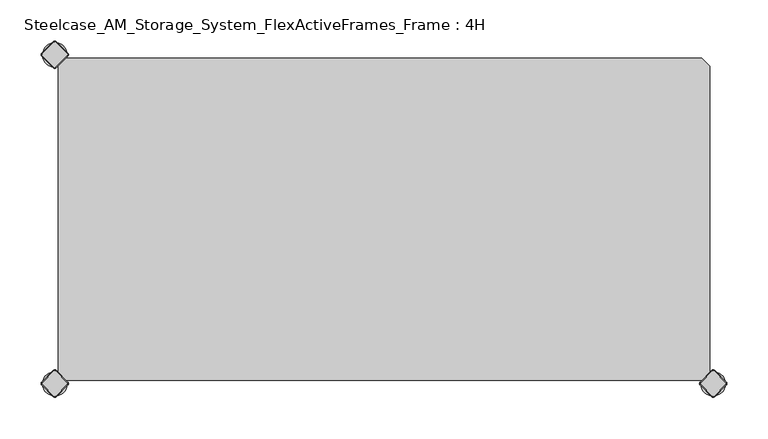
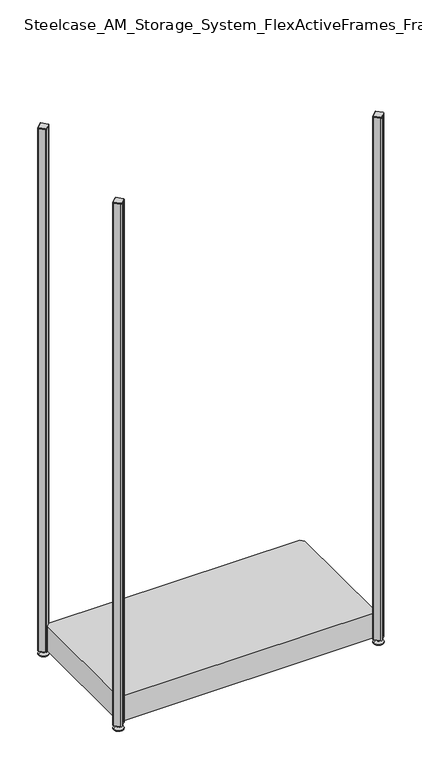
"""IFC4 building model written with IfcOpenShell, lengths in millimetres: furniture geometry, Steelcase_AM_Storage_System_FlexActiveFrames_Frame : 4H."""

from ifc_helpers import new_model, si_unit, point, frame, frame_2d, origin, place, context, project, spatial, polyline, circle_curve, trimmed, segment, composite_curve, outline, extrude, source, transform, mapped, element, save
from ifc_brep_helpers import plane_surface, cylinder_surface, revolved_surface, advanced_brep


def steelcase_am_storage_system_flexactiveframes_frame_4h_9ea6520a(model_context):
    return source(origin(), model_context, "Body", "SolidModel", [
        advanced_brep(
        [(785.0, 0.0, 0.0), (800.0, 0.0, 0.0), (815.0, 0.0, 0.0), (785.0, 0.0, 2.0), (815.0, 0.0, 2.0), (792.0, 0.0, 9.0), (808.0, 0.0, 9.0), (796.0, 0.0, 9.0), (804.0, 0.0, 9.0), (796.0, 0.0, 15.0), (804.0, 0.0, 15.0), (800.0, 0.0, 15.0)],
        [
            (0, 1),
            (1, 2),
            (2, 0, circle_curve(frame((800.0, 0.0, 0.0), z_axis=(0.0, 0.0, -1.0), x_axis=(1.0, 0.0, 0.0)), 15.0)),
            (0, 2, circle_curve(frame((800.0, 0.0, 0.0), z_axis=(0.0, 0.0, -1.0), x_axis=(1.0, 0.0, 0.0)), 15.0)),
            (3, 0),
            (2, 4),
            (4, 3, circle_curve(frame((800.0, 0.0, 2.0), z_axis=(0.0, 0.0, -1.0), x_axis=(1.0, 0.0, 0.0)), 15.0)),
            (3, 4, circle_curve(frame((800.0, 0.0, 2.0), z_axis=(0.0, 0.0, -1.0), x_axis=(1.0, 0.0, 0.0)), 15.0)),
            (5, 3),
            (4, 6),
            (6, 5, circle_curve(frame((800.0, 0.0, 9.0), z_axis=(0.0, 0.0, -1.0), x_axis=(1.0, 0.0, 0.0)), 8.0)),
            (5, 6, circle_curve(frame((800.0, 0.0, 9.0), z_axis=(0.0, 0.0, -1.0), x_axis=(1.0, 0.0, 0.0)), 8.0)),
            (7, 5),
            (6, 8),
            (8, 7, circle_curve(frame((800.0, 0.0, 9.0), z_axis=(0.0, 0.0, -1.0), x_axis=(1.0, 0.0, 0.0)), 4.0)),
            (7, 8, circle_curve(frame((800.0, 0.0, 9.0), z_axis=(0.0, 0.0, -1.0), x_axis=(1.0, 0.0, 0.0)), 4.0)),
            (9, 7),
            (8, 10),
            (10, 9, circle_curve(frame((800.0, 0.0, 15.0), z_axis=(0.0, 0.0, -1.0), x_axis=(1.0, 0.0, 0.0)), 4.0)),
            (9, 10, circle_curve(frame((800.0, 0.0, 15.0), z_axis=(0.0, 0.0, -1.0), x_axis=(1.0, 0.0, 0.0)), 4.0)),
            (11, 9),
            (10, 11),
        ],
        [
            plane_surface(frame((800.0, 0.0, 0.0), z_axis=(0.0, 0.0, -1.0), x_axis=(1.0, 0.0, 0.0))),
            cylinder_surface(frame((800.0, 0.0, 18.6083303), z_axis=(0.0, 0.0, 1.0), x_axis=(1.0, 0.0, 0.0)), 15.0),
            revolved_surface(polyline([(815.0, 0.0, 2.0), (808.0, 0.0, 9.0)]), (800.0, 0.0, 18.6083303), (0.0, 0.0, 1.0)),
            plane_surface(frame((800.0, 0.0, 9.0), z_axis=(0.0, 0.0, 1.0), x_axis=(1.0, 0.0, 0.0))),
            cylinder_surface(frame((800.0, 0.0, 18.6083303), z_axis=(0.0, 0.0, 1.0), x_axis=(1.0, 0.0, 0.0)), 4.0),
            plane_surface(frame((800.0, 0.0, 15.0), z_axis=(0.0, 0.0, 1.0), x_axis=(1.0, 0.0, 0.0))),
        ],
        [
            (0, [[1, 2, 3]]),
            (0, [[-2, -1, 4]]),
            (1, [[5, -3, 6, 7]]),
            (1, [[-6, -4, -5, 8]]),
            (2, [[9, -7, 10, 11]]),
            (2, [[-10, -8, -9, 12]]),
            (3, [[13, -11, 14, 15]]),
            (3, [[-14, -12, -13, 16]]),
            (4, [[17, -15, 18, 19]]),
            (4, [[-18, -16, -17, 20]]),
            (5, [[21, -19, 22]]),
            (5, [[-22, -20, -21]]),
        ],
    ),
        advanced_brep(
        [(798.7979185, -15.3442172, 1717.0), (801.2020815, -15.3442172, 1717.0), (815.3442172, -1.2020815, 1717.0), (815.3442172, 1.2020815, 1717.0), (801.2020815, 15.3442172, 1717.0), (798.7979185, 15.3442172, 1717.0), (784.6557828, 1.2020815, 1717.0), (784.6557828, -1.2020815, 1717.0), (798.232233, -15.9099026, 1715.0), (784.0900974, -1.767767, 1715.0), (784.0900974, 1.767767, 1715.0), (798.232233, 15.9099026, 1715.0), (801.767767, 15.9099026, 1715.0), (815.9099026, 1.767767, 1715.0), (815.9099026, -1.767767, 1715.0), (801.767767, -15.9099026, 1715.0)],
        [
            (0, 1, circle_curve(frame((800.0, -14.1421356, 1717.0), z_axis=(0.0, 0.0, 1.0), x_axis=(0.7071067811865486, -0.7071067811865465, 0.0)), 1.7)),
            (1, 2),
            (2, 3, circle_curve(frame((814.1421356, 0.0, 1717.0), z_axis=(0.0, 0.0, 1.0), x_axis=(0.7071067811865358, 0.7071067811865593, 0.0)), 1.7)),
            (3, 4),
            (4, 5, circle_curve(frame((800.0, 14.1421356, 1717.0), z_axis=(0.0, 0.0, 1.0), x_axis=(-0.7071067811865497, 0.7071067811865452, 0.0)), 1.7)),
            (5, 6),
            (6, 7, circle_curve(frame((785.8578644, 0.0, 1717.0), z_axis=(0.0, 0.0, 1.0), x_axis=(-0.707106781186549, -0.707106781186546, 0.0)), 1.7)),
            (7, 0),
            (8, 9),
            (9, 10, circle_curve(frame((785.8578644, 0.0, 1715.0), z_axis=(0.0, 0.0, -1.0), x_axis=(-0.707106781186549, -0.707106781186546, 0.0)), 2.5)),
            (10, 11),
            (11, 12, circle_curve(frame((800.0, 14.1421356, 1715.0), z_axis=(0.0, 0.0, -1.0), x_axis=(-0.7071067811865497, 0.7071067811865452, 0.0)), 2.5)),
            (12, 13),
            (13, 14, circle_curve(frame((814.1421356, 0.0, 1715.0), z_axis=(0.0, 0.0, -1.0), x_axis=(0.7071067811865358, 0.7071067811865593, 0.0)), 2.5)),
            (14, 15),
            (15, 8, circle_curve(frame((800.0, -14.1421356, 1715.0), z_axis=(0.0, 0.0, -1.0), x_axis=(0.7071067811865486, -0.7071067811865465, 0.0)), 2.5)),
            (8, 0),
            (7, 9),
            (6, 10),
            (5, 11),
            (4, 12),
            (3, 13),
            (2, 14),
            (1, 15),
        ],
        [
            plane_surface(frame((800.0, 0.0, 1717.0), z_axis=(0.0, 0.0, 1.0), x_axis=(-0.7071067811865437, -0.7071067811865515, 0.0))),
            plane_surface(frame((800.0, 0.0, 1715.0), z_axis=(0.0, 0.0, -1.0), x_axis=(-0.7071067811865437, -0.7071067811865515, 0.0))),
            plane_surface(frame((791.1611652, -8.8388348, 1715.0), z_axis=(-0.6565321642986293, -0.6565321642986277, 0.37139067635404877), x_axis=(-0.7071067811865461, 0.707106781186549, 0.0))),
            revolved_surface(polyline([(784.65578284, -1.20208156, 1717.0), (784.0900974, -1.767767, 1715.0)]), (785.8578644, 0.0, 1721.25), (0.0, 0.0, -1.0)),
            plane_surface(frame((791.1611652, 8.8388348, 1715.0), z_axis=(-0.656532164298625, 0.656532164298632, 0.37139067635404815), x_axis=(0.7071067811865507, 0.7071067811865444, 0.0))),
            revolved_surface(polyline([(798.79791844, 15.34421716, 1717.0), (798.232233, 15.9099026, 1715.0)]), (800.0, 14.1421356, 1721.25), (0.0, 0.0, -1.0)),
            plane_surface(frame((808.8388348, 8.8388348, 1715.0), z_axis=(0.6565321642986273, 0.6565321642986317, 0.3713906763540451), x_axis=(0.7071067811865506, -0.7071067811865446, 0.0))),
            revolved_surface(polyline([(815.34421716, 1.20208156, 1717.0), (815.9099026, 1.767767, 1715.0)]), (814.1421356, 0.0, 1721.25), (0.0, 0.0, -1.0)),
            plane_surface(frame((808.8388348, -8.8388348, 1715.0), z_axis=(0.6565321642986316, -0.6565321642986274, 0.3713906763540451), x_axis=(-0.7071067811865459, -0.7071067811865492, 0.0))),
            revolved_surface(polyline([(801.20208156, -15.34421716, 1717.0), (801.767767, -15.9099026, 1715.0)]), (800.0, -14.1421356, 1721.25), (0.0, 0.0, -1.0)),
        ],
        [
            (0, [[1, 2, 3, 4, 5, 6, 7, 8]]),
            (1, [[9, 10, 11, 12, 13, 14, 15, 16]]),
            (2, [[17, -8, 18, -9]]),
            (3, [[-18, -7, 19, -10]]),
            (4, [[-19, -6, 20, -11]]),
            (5, [[-20, -5, 21, -12]]),
            (6, [[-21, -4, 22, -13]]),
            (7, [[-22, -3, 23, -14]]),
            (8, [[-23, -2, 24, -15]]),
            (9, [[-24, -1, -17, -16]]),
        ],
    ),
        extrude(outline(composite_curve([segment(polyline([(815.9099026, -1.767767), (801.767767, -15.9099026)]), True, "CONTINUOUS"), segment(trimmed(circle_curve(frame_2d((800.0, -14.1421356)), 2.5), [point((801.767767, -15.9099026))], [point((798.232233, -15.9099026))], False, "CARTESIAN"), True, "CONTINUOUS"), segment(polyline([(798.232233, -15.9099026), (784.0900974, -1.767767)]), True, "CONTINUOUS"), segment(trimmed(circle_curve(frame_2d((785.8578644, 0.0)), 2.5), [point((784.0900974, -1.767767))], [point((784.0900974, 1.767767))], False, "CARTESIAN"), True, "CONTINUOUS"), segment(polyline([(784.0900974, 1.767767), (798.232233, 15.9099026)]), True, "CONTINUOUS"), segment(trimmed(circle_curve(frame_2d((800.0, 14.1421356)), 2.5), [point((798.232233, 15.9099026))], [point((801.767767, 15.9099026))], False, "CARTESIAN"), True, "CONTINUOUS"), segment(polyline([(801.767767, 15.9099026), (815.9099026, 1.767767)]), True, "CONTINUOUS"), segment(trimmed(circle_curve(frame_2d((814.1421356, 0.0)), 2.5), [point((815.9099026, 1.767767))], [point((815.9099026, -1.767767))], False, "CARTESIAN"), True, "CONTINUOUS")], self_intersect=False)), frame((0.0, 0.0, 15.0), z_axis=(0.0, 0.0, 1.0), x_axis=(1.0, 0.0, 0.0)), (0.0, 0.0, 1.0), 1700.0),
        advanced_brep(
        [(-15.0, 400.0, 0.0), (0.0, 400.0, 0.0), (15.0, 400.0, 0.0), (-15.0, 400.0, 2.0), (15.0, 400.0, 2.0), (-8.0, 400.0, 9.0), (8.0, 400.0, 9.0), (-4.0, 400.0, 9.0), (4.0, 400.0, 9.0), (-4.0, 400.0, 15.0), (4.0, 400.0, 15.0), (0.0, 400.0, 15.0)],
        [
            (0, 1),
            (1, 2),
            (2, 0, circle_curve(frame((0.0, 400.0, 0.0), z_axis=(0.0, 0.0, -1.0), x_axis=(1.0, 0.0, 0.0)), 15.0)),
            (0, 2, circle_curve(frame((0.0, 400.0, 0.0), z_axis=(0.0, 0.0, -1.0), x_axis=(1.0, 0.0, 0.0)), 15.0)),
            (3, 0),
            (2, 4),
            (4, 3, circle_curve(frame((0.0, 400.0, 2.0), z_axis=(0.0, 0.0, -1.0), x_axis=(1.0, 0.0, 0.0)), 15.0)),
            (3, 4, circle_curve(frame((0.0, 400.0, 2.0), z_axis=(0.0, 0.0, -1.0), x_axis=(1.0, 0.0, 0.0)), 15.0)),
            (5, 3),
            (4, 6),
            (6, 5, circle_curve(frame((0.0, 400.0, 9.0), z_axis=(0.0, 0.0, -1.0), x_axis=(1.0, 0.0, 0.0)), 8.0)),
            (5, 6, circle_curve(frame((0.0, 400.0, 9.0), z_axis=(0.0, 0.0, -1.0), x_axis=(1.0, 0.0, 0.0)), 8.0)),
            (7, 5),
            (6, 8),
            (8, 7, circle_curve(frame((0.0, 400.0, 9.0), z_axis=(0.0, 0.0, -1.0), x_axis=(1.0, 0.0, 0.0)), 4.0)),
            (7, 8, circle_curve(frame((0.0, 400.0, 9.0), z_axis=(0.0, 0.0, -1.0), x_axis=(1.0, 0.0, 0.0)), 4.0)),
            (9, 7),
            (8, 10),
            (10, 9, circle_curve(frame((0.0, 400.0, 15.0), z_axis=(0.0, 0.0, -1.0), x_axis=(1.0, 0.0, 0.0)), 4.0)),
            (9, 10, circle_curve(frame((0.0, 400.0, 15.0), z_axis=(0.0, 0.0, -1.0), x_axis=(1.0, 0.0, 0.0)), 4.0)),
            (11, 9),
            (10, 11),
        ],
        [
            plane_surface(frame((0.0, 400.0, 0.0), z_axis=(0.0, 0.0, -1.0), x_axis=(1.0, 0.0, 0.0))),
            cylinder_surface(frame((0.0, 400.0, 18.6083303), z_axis=(0.0, 0.0, 1.0), x_axis=(1.0, 0.0, 0.0)), 15.0),
            revolved_surface(polyline([(15.0, 400.0, 2.0), (8.0, 400.0, 9.0)]), (0.0, 400.0, 18.6083303), (0.0, 0.0, 1.0)),
            plane_surface(frame((0.0, 400.0, 9.0), z_axis=(0.0, 0.0, 1.0), x_axis=(1.0, 0.0, 0.0))),
            cylinder_surface(frame((0.0, 400.0, 18.6083303), z_axis=(0.0, 0.0, 1.0), x_axis=(1.0, 0.0, 0.0)), 4.0),
            plane_surface(frame((0.0, 400.0, 15.0), z_axis=(0.0, 0.0, 1.0), x_axis=(1.0, 0.0, 0.0))),
        ],
        [
            (0, [[1, 2, 3]]),
            (0, [[-2, -1, 4]]),
            (1, [[5, -3, 6, 7]]),
            (1, [[-6, -4, -5, 8]]),
            (2, [[9, -7, 10, 11]]),
            (2, [[-10, -8, -9, 12]]),
            (3, [[13, -11, 14, 15]]),
            (3, [[-14, -12, -13, 16]]),
            (4, [[17, -15, 18, 19]]),
            (4, [[-18, -16, -17, 20]]),
            (5, [[21, -19, 22]]),
            (5, [[-22, -20, -21]]),
        ],
    ),
        advanced_brep(
        [(-1.2020815, 384.6557828, 1717.0), (1.2020815, 384.6557828, 1717.0), (15.3442172, 398.7979185, 1717.0), (15.3442172, 401.2020815, 1717.0), (1.2020815, 415.3442172, 1717.0), (-1.2020815, 415.3442172, 1717.0), (-15.3442172, 401.2020815, 1717.0), (-15.3442172, 398.7979185, 1717.0), (-1.767767, 384.0900974, 1715.0), (-15.9099026, 398.232233, 1715.0), (-15.9099026, 401.767767, 1715.0), (-1.767767, 415.9099026, 1715.0), (1.767767, 415.9099026, 1715.0), (15.9099026, 401.767767, 1715.0), (15.9099026, 398.232233, 1715.0), (1.767767, 384.0900974, 1715.0)],
        [
            (0, 1, circle_curve(frame((0.0, 385.8578644, 1717.0), z_axis=(0.0, 0.0, 1.0), x_axis=(0.7071067811865486, -0.7071067811865465, 0.0)), 1.7)),
            (1, 2),
            (2, 3, circle_curve(frame((14.1421356, 400.0, 1717.0), z_axis=(0.0, 0.0, 1.0), x_axis=(0.7071067811865358, 0.7071067811865593, 0.0)), 1.7)),
            (3, 4),
            (4, 5, circle_curve(frame((0.0, 414.1421356, 1717.0), z_axis=(0.0, 0.0, 1.0), x_axis=(-0.7071067811865497, 0.7071067811865452, 0.0)), 1.7)),
            (5, 6),
            (6, 7, circle_curve(frame((-14.1421356, 400.0, 1717.0), z_axis=(0.0, 0.0, 1.0), x_axis=(-0.707106781186549, -0.707106781186546, 0.0)), 1.7)),
            (7, 0),
            (8, 9),
            (9, 10, circle_curve(frame((-14.1421356, 400.0, 1715.0), z_axis=(0.0, 0.0, -1.0), x_axis=(-0.707106781186549, -0.707106781186546, 0.0)), 2.5)),
            (10, 11),
            (11, 12, circle_curve(frame((0.0, 414.1421356, 1715.0), z_axis=(0.0, 0.0, -1.0), x_axis=(-0.7071067811865497, 0.7071067811865452, 0.0)), 2.5)),
            (12, 13),
            (13, 14, circle_curve(frame((14.1421356, 400.0, 1715.0), z_axis=(0.0, 0.0, -1.0), x_axis=(0.7071067811865358, 0.7071067811865593, 0.0)), 2.5)),
            (14, 15),
            (15, 8, circle_curve(frame((0.0, 385.8578644, 1715.0), z_axis=(0.0, 0.0, -1.0), x_axis=(0.7071067811865486, -0.7071067811865465, 0.0)), 2.5)),
            (8, 0),
            (7, 9),
            (6, 10),
            (5, 11),
            (4, 12),
            (3, 13),
            (2, 14),
            (1, 15),
        ],
        [
            plane_surface(frame((0.0, 400.0, 1717.0), z_axis=(0.0, 0.0, 1.0), x_axis=(-0.7071067811865437, -0.7071067811865515, 0.0))),
            plane_surface(frame((0.0, 400.0, 1715.0), z_axis=(0.0, 0.0, -1.0), x_axis=(-0.7071067811865437, -0.7071067811865515, 0.0))),
            plane_surface(frame((-8.8388348, 391.1611652, 1715.0), z_axis=(-0.6565321642986293, -0.6565321642986277, 0.37139067635404877), x_axis=(-0.7071067811865461, 0.707106781186549, 0.0))),
            revolved_surface(polyline([(-15.34421716, 398.79791844, 1717.0), (-15.9099026, 398.232233, 1715.0)]), (-14.1421356, 400.0, 1721.25), (0.0, 0.0, -1.0)),
            plane_surface(frame((-8.8388348, 408.8388348, 1715.0), z_axis=(-0.656532164298625, 0.656532164298632, 0.37139067635404815), x_axis=(0.7071067811865507, 0.7071067811865444, 0.0))),
            revolved_surface(polyline([(-1.20208156, 415.34421716, 1717.0), (-1.767767, 415.9099026, 1715.0)]), (0.0, 414.1421356, 1721.25), (0.0, 0.0, -1.0)),
            plane_surface(frame((8.8388348, 408.8388348, 1715.0), z_axis=(0.6565321642986273, 0.6565321642986317, 0.3713906763540451), x_axis=(0.7071067811865506, -0.7071067811865446, 0.0))),
            revolved_surface(polyline([(15.34421716, 401.20208156, 1717.0), (15.9099026, 401.767767, 1715.0)]), (14.1421356, 400.0, 1721.25), (0.0, 0.0, -1.0)),
            plane_surface(frame((8.8388348, 391.1611652, 1715.0), z_axis=(0.6565321642986316, -0.6565321642986274, 0.3713906763540451), x_axis=(-0.7071067811865459, -0.7071067811865492, 0.0))),
            revolved_surface(polyline([(1.20208156, 384.65578284, 1717.0), (1.767767, 384.0900974, 1715.0)]), (0.0, 385.8578644, 1721.25), (0.0, 0.0, -1.0)),
        ],
        [
            (0, [[1, 2, 3, 4, 5, 6, 7, 8]]),
            (1, [[9, 10, 11, 12, 13, 14, 15, 16]]),
            (2, [[17, -8, 18, -9]]),
            (3, [[-18, -7, 19, -10]]),
            (4, [[-19, -6, 20, -11]]),
            (5, [[-20, -5, 21, -12]]),
            (6, [[-21, -4, 22, -13]]),
            (7, [[-22, -3, 23, -14]]),
            (8, [[-23, -2, 24, -15]]),
            (9, [[-24, -1, -17, -16]]),
        ],
    ),
        extrude(outline(composite_curve([segment(polyline([(15.9099026, 398.232233), (1.767767, 384.0900974)]), True, "CONTINUOUS"), segment(trimmed(circle_curve(frame_2d((0.0, 385.8578644)), 2.5), [point((1.767767, 384.0900974))], [point((-1.767767, 384.0900974))], False, "CARTESIAN"), True, "CONTINUOUS"), segment(polyline([(-1.767767, 384.0900974), (-15.9099026, 398.232233)]), True, "CONTINUOUS"), segment(trimmed(circle_curve(frame_2d((-14.1421356, 400.0)), 2.5), [point((-15.9099026, 398.232233))], [point((-15.9099026, 401.767767))], False, "CARTESIAN"), True, "CONTINUOUS"), segment(polyline([(-15.9099026, 401.767767), (-1.767767, 415.9099026)]), True, "CONTINUOUS"), segment(trimmed(circle_curve(frame_2d((0.0, 414.1421356)), 2.5), [point((-1.767767, 415.9099026))], [point((1.767767, 415.9099026))], False, "CARTESIAN"), True, "CONTINUOUS"), segment(polyline([(1.767767, 415.9099026), (15.9099026, 401.767767)]), True, "CONTINUOUS"), segment(trimmed(circle_curve(frame_2d((14.1421356, 400.0)), 2.5), [point((15.9099026, 401.767767))], [point((15.9099026, 398.232233))], False, "CARTESIAN"), True, "CONTINUOUS")], self_intersect=False)), frame((0.0, 0.0, 15.0), z_axis=(0.0, 0.0, 1.0), x_axis=(1.0, 0.0, 0.0)), (0.0, 0.0, 1.0), 1700.0),
        advanced_brep(
        [(-15.0, 0.0, 0.0), (0.0, 0.0, 0.0), (15.0, 0.0, 0.0), (-15.0, 0.0, 2.0), (15.0, 0.0, 2.0), (-8.0, 0.0, 9.0), (8.0, 0.0, 9.0), (-4.0, 0.0, 9.0), (4.0, 0.0, 9.0), (-4.0, 0.0, 15.0), (4.0, 0.0, 15.0), (0.0, 0.0, 15.0)],
        [
            (0, 1),
            (1, 2),
            (2, 0, circle_curve(frame((0.0, 0.0, 0.0), z_axis=(0.0, 0.0, -1.0), x_axis=(1.0, 0.0, 0.0)), 15.0)),
            (0, 2, circle_curve(frame((0.0, 0.0, 0.0), z_axis=(0.0, 0.0, -1.0), x_axis=(1.0, 0.0, 0.0)), 15.0)),
            (3, 0),
            (2, 4),
            (4, 3, circle_curve(frame((0.0, 0.0, 2.0), z_axis=(0.0, 0.0, -1.0), x_axis=(1.0, 0.0, 0.0)), 15.0)),
            (3, 4, circle_curve(frame((0.0, 0.0, 2.0), z_axis=(0.0, 0.0, -1.0), x_axis=(1.0, 0.0, 0.0)), 15.0)),
            (5, 3),
            (4, 6),
            (6, 5, circle_curve(frame((0.0, 0.0, 9.0), z_axis=(0.0, 0.0, -1.0), x_axis=(1.0, 0.0, 0.0)), 8.0)),
            (5, 6, circle_curve(frame((0.0, 0.0, 9.0), z_axis=(0.0, 0.0, -1.0), x_axis=(1.0, 0.0, 0.0)), 8.0)),
            (7, 5),
            (6, 8),
            (8, 7, circle_curve(frame((0.0, 0.0, 9.0), z_axis=(0.0, 0.0, -1.0), x_axis=(1.0, 0.0, 0.0)), 4.0)),
            (7, 8, circle_curve(frame((0.0, 0.0, 9.0), z_axis=(0.0, 0.0, -1.0), x_axis=(1.0, 0.0, 0.0)), 4.0)),
            (9, 7),
            (8, 10),
            (10, 9, circle_curve(frame((0.0, 0.0, 15.0), z_axis=(0.0, 0.0, -1.0), x_axis=(1.0, 0.0, 0.0)), 4.0)),
            (9, 10, circle_curve(frame((0.0, 0.0, 15.0), z_axis=(0.0, 0.0, -1.0), x_axis=(1.0, 0.0, 0.0)), 4.0)),
            (11, 9),
            (10, 11),
        ],
        [
            plane_surface(frame((0.0, 0.0, 0.0), z_axis=(0.0, 0.0, -1.0), x_axis=(1.0, 0.0, 0.0))),
            cylinder_surface(frame((0.0, 0.0, 18.6083303), z_axis=(0.0, 0.0, 1.0), x_axis=(1.0, 0.0, 0.0)), 15.0),
            revolved_surface(polyline([(15.0, 0.0, 2.0), (8.0, 0.0, 9.0)]), (0.0, 0.0, 18.6083303), (0.0, 0.0, 1.0)),
            plane_surface(frame((0.0, 0.0, 9.0), z_axis=(0.0, 0.0, 1.0), x_axis=(1.0, 0.0, 0.0))),
            cylinder_surface(frame((0.0, 0.0, 18.6083303), z_axis=(0.0, 0.0, 1.0), x_axis=(1.0, 0.0, 0.0)), 4.0),
            plane_surface(frame((0.0, 0.0, 15.0), z_axis=(0.0, 0.0, 1.0), x_axis=(1.0, 0.0, 0.0))),
        ],
        [
            (0, [[1, 2, 3]]),
            (0, [[-2, -1, 4]]),
            (1, [[5, -3, 6, 7]]),
            (1, [[-6, -4, -5, 8]]),
            (2, [[9, -7, 10, 11]]),
            (2, [[-10, -8, -9, 12]]),
            (3, [[13, -11, 14, 15]]),
            (3, [[-14, -12, -13, 16]]),
            (4, [[17, -15, 18, 19]]),
            (4, [[-18, -16, -17, 20]]),
            (5, [[21, -19, 22]]),
            (5, [[-22, -20, -21]]),
        ],
    ),
        advanced_brep(
        [(-1.2020815, -15.3442172, 1717.0), (1.2020815, -15.3442172, 1717.0), (15.3442172, -1.2020815, 1717.0), (15.3442172, 1.2020815, 1717.0), (1.2020815, 15.3442172, 1717.0), (-1.2020815, 15.3442172, 1717.0), (-15.3442172, 1.2020815, 1717.0), (-15.3442172, -1.2020815, 1717.0), (-1.767767, -15.9099026, 1715.0), (-15.9099026, -1.767767, 1715.0), (-15.9099026, 1.767767, 1715.0), (-1.767767, 15.9099026, 1715.0), (1.767767, 15.9099026, 1715.0), (15.9099026, 1.767767, 1715.0), (15.9099026, -1.767767, 1715.0), (1.767767, -15.9099026, 1715.0)],
        [
            (0, 1, circle_curve(frame((0.0, -14.1421356, 1717.0), z_axis=(0.0, 0.0, 1.0), x_axis=(0.7071067811865486, -0.7071067811865465, 0.0)), 1.7)),
            (1, 2),
            (2, 3, circle_curve(frame((14.1421356, 0.0, 1717.0), z_axis=(0.0, 0.0, 1.0), x_axis=(0.7071067811865358, 0.7071067811865593, 0.0)), 1.7)),
            (3, 4),
            (4, 5, circle_curve(frame((0.0, 14.1421356, 1717.0), z_axis=(0.0, 0.0, 1.0), x_axis=(-0.7071067811865497, 0.7071067811865452, 0.0)), 1.7)),
            (5, 6),
            (6, 7, circle_curve(frame((-14.1421356, 0.0, 1717.0), z_axis=(0.0, 0.0, 1.0), x_axis=(-0.707106781186549, -0.707106781186546, 0.0)), 1.7)),
            (7, 0),
            (8, 9),
            (9, 10, circle_curve(frame((-14.1421356, 0.0, 1715.0), z_axis=(0.0, 0.0, -1.0), x_axis=(-0.707106781186549, -0.707106781186546, 0.0)), 2.5)),
            (10, 11),
            (11, 12, circle_curve(frame((0.0, 14.1421356, 1715.0), z_axis=(0.0, 0.0, -1.0), x_axis=(-0.7071067811865497, 0.7071067811865452, 0.0)), 2.5)),
            (12, 13),
            (13, 14, circle_curve(frame((14.1421356, 0.0, 1715.0), z_axis=(0.0, 0.0, -1.0), x_axis=(0.7071067811865358, 0.7071067811865593, 0.0)), 2.5)),
            (14, 15),
            (15, 8, circle_curve(frame((0.0, -14.1421356, 1715.0), z_axis=(0.0, 0.0, -1.0), x_axis=(0.7071067811865486, -0.7071067811865465, 0.0)), 2.5)),
            (8, 0),
            (7, 9),
            (6, 10),
            (5, 11),
            (4, 12),
            (3, 13),
            (2, 14),
            (1, 15),
        ],
        [
            plane_surface(frame((0.0, 0.0, 1717.0), z_axis=(0.0, 0.0, 1.0), x_axis=(-0.7071067811865437, -0.7071067811865515, 0.0))),
            plane_surface(frame((0.0, 0.0, 1715.0), z_axis=(0.0, 0.0, -1.0), x_axis=(-0.7071067811865437, -0.7071067811865515, 0.0))),
            plane_surface(frame((-8.8388348, -8.8388348, 1715.0), z_axis=(-0.6565321642986293, -0.6565321642986277, 0.37139067635404877), x_axis=(-0.7071067811865461, 0.707106781186549, 0.0))),
            revolved_surface(polyline([(-15.34421716, -1.20208156, 1717.0), (-15.9099026, -1.767767, 1715.0)]), (-14.1421356, 0.0, 1721.25), (0.0, 0.0, -1.0)),
            plane_surface(frame((-8.8388348, 8.8388348, 1715.0), z_axis=(-0.656532164298625, 0.656532164298632, 0.37139067635404815), x_axis=(0.7071067811865507, 0.7071067811865444, 0.0))),
            revolved_surface(polyline([(-1.20208156, 15.34421716, 1717.0), (-1.767767, 15.9099026, 1715.0)]), (0.0, 14.1421356, 1721.25), (0.0, 0.0, -1.0)),
            plane_surface(frame((8.8388348, 8.8388348, 1715.0), z_axis=(0.6565321642986273, 0.6565321642986317, 0.3713906763540451), x_axis=(0.7071067811865506, -0.7071067811865446, 0.0))),
            revolved_surface(polyline([(15.34421716, 1.20208156, 1717.0), (15.9099026, 1.767767, 1715.0)]), (14.1421356, 0.0, 1721.25), (0.0, 0.0, -1.0)),
            plane_surface(frame((8.8388348, -8.8388348, 1715.0), z_axis=(0.6565321642986316, -0.6565321642986274, 0.3713906763540451), x_axis=(-0.7071067811865459, -0.7071067811865492, 0.0))),
            revolved_surface(polyline([(1.20208156, -15.34421716, 1717.0), (1.767767, -15.9099026, 1715.0)]), (0.0, -14.1421356, 1721.25), (0.0, 0.0, -1.0)),
        ],
        [
            (0, [[1, 2, 3, 4, 5, 6, 7, 8]]),
            (1, [[9, 10, 11, 12, 13, 14, 15, 16]]),
            (2, [[17, -8, 18, -9]]),
            (3, [[-18, -7, 19, -10]]),
            (4, [[-19, -6, 20, -11]]),
            (5, [[-20, -5, 21, -12]]),
            (6, [[-21, -4, 22, -13]]),
            (7, [[-22, -3, 23, -14]]),
            (8, [[-23, -2, 24, -15]]),
            (9, [[-24, -1, -17, -16]]),
        ],
    ),
        extrude(outline(composite_curve([segment(polyline([(15.9099026, -1.767767), (1.767767, -15.9099026)]), True, "CONTINUOUS"), segment(trimmed(circle_curve(frame_2d((0.0, -14.1421356)), 2.5), [point((1.767767, -15.9099026))], [point((-1.767767, -15.9099026))], False, "CARTESIAN"), True, "CONTINUOUS"), segment(polyline([(-1.767767, -15.9099026), (-15.9099026, -1.767767)]), True, "CONTINUOUS"), segment(trimmed(circle_curve(frame_2d((-14.1421356, 0.0)), 2.5), [point((-15.9099026, -1.767767))], [point((-15.9099026, 1.767767))], False, "CARTESIAN"), True, "CONTINUOUS"), segment(polyline([(-15.9099026, 1.767767), (-1.767767, 15.9099026)]), True, "CONTINUOUS"), segment(trimmed(circle_curve(frame_2d((0.0, 14.1421356)), 2.5), [point((-1.767767, 15.9099026))], [point((1.767767, 15.9099026))], False, "CARTESIAN"), True, "CONTINUOUS"), segment(polyline([(1.767767, 15.9099026), (15.9099026, 1.767767)]), True, "CONTINUOUS"), segment(trimmed(circle_curve(frame_2d((14.1421356, 0.0)), 2.5), [point((15.9099026, 1.767767))], [point((15.9099026, -1.767767))], False, "CARTESIAN"), True, "CONTINUOUS")], self_intersect=False)), frame((0.0, 0.0, 15.0), z_axis=(0.0, 0.0, 1.0), x_axis=(1.0, 0.0, 0.0)), (0.0, 0.0, 1.0), 1700.0),
        extrude(outline(polyline([(4.0, 13.6776695), (4.0, 386.3223305), (13.6776695, 396.0), (786.3223305, 396.0), (796.0, 386.3223305), (796.0, 13.6776695), (786.3223305, 4.0), (13.6776695, 4.0), (4.0, 13.6776695)])), frame((0.0, 0.0, 16.0), z_axis=(0.0, 0.0, 1.0), x_axis=(1.0, 0.0, 0.0)), (0.0, 0.0, 1.0), 80.0),
    ])


if __name__ == "__main__":
    model = new_model("IFC4")
    model_context = context("Model", 3, world=origin())
    ifc_project = project(units=[si_unit("LENGTHUNIT", "METRE", prefix="MILLI")], contexts=[model_context])
    site = spatial("IfcSite", under=ifc_project)
    building = spatial("IfcBuilding", under=site)
    placement = place(None, origin())
    steelcase_am_storage_system_flexactiveframes_frame_4h_shape = steelcase_am_storage_system_flexactiveframes_frame_4h_9ea6520a(model_context)
    element("IfcFurniture", 1, ObjectType="Steelcase_AM_Storage_System_FlexActiveFrames_Frame : 4H", at=placement, inside=building, context=model_context, shape_type="MappedRepresentation", body=[
        mapped(steelcase_am_storage_system_flexactiveframes_frame_4h_shape, transform((0.0, 0.0, 0.0), x_axis=(1.0, 0.0, 0.0), y_axis=(0.0, 1.0, 0.0), z_axis=(0.0, 0.0, 1.0))),
    ])
    save(model, "model.ifc")
